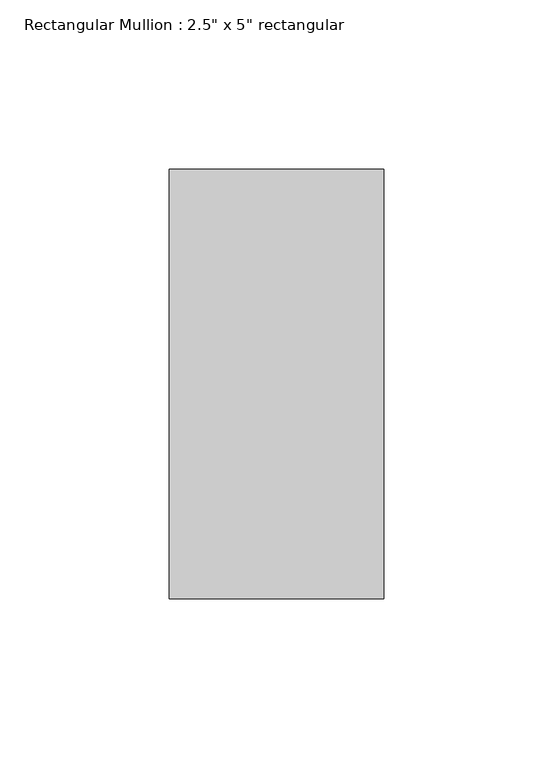
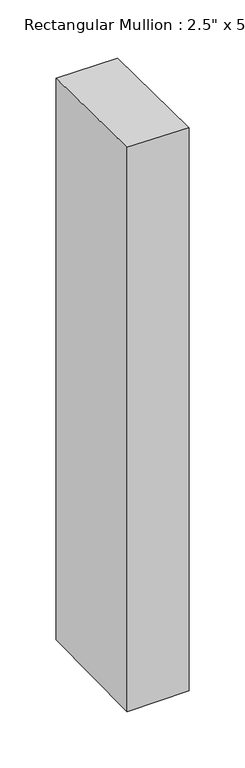
"""IFC4 building model written with IfcOpenShell, lengths in millimetres: member geometry."""

from ifc_helpers import new_model, si_unit, origin, place, context, project, spatial, faceted_brep, source, transform, mapped, element, save


def member_dd2f47a8(model_context):
    return source(origin(), model_context, "Body", "Brep", [
        faceted_brep([(-63.5, 63.5, -0.1869163), (0.0, 63.5, -0.753892), (0.0, 63.5, -609.9099083), (-63.5, 63.5, -610.5749579), (-63.5, -63.5, 1.3208678), (-63.5, -63.5, -612.086161), (0.0, -63.5, 0.753892), (0.0, -63.5, -611.4211113)], [[[0, 1, 2, 3]], [[4, 0, 3, 5]], [[6, 4, 5, 7]], [[1, 6, 7, 2]], [[1, 0, 4, 6]], [[2, 7, 5, 3]]]),
    ])


if __name__ == "__main__":
    model = new_model("IFC4")
    model_context = context("Model", 3, world=origin())
    ifc_project = project(units=[si_unit("LENGTHUNIT", "METRE", prefix="MILLI")], contexts=[model_context])
    site = spatial("IfcSite", under=ifc_project)
    building = spatial("IfcBuilding", under=site)
    placement = place(None, origin())
    member_shape = member_dd2f47a8(model_context)
    element("IfcMember", 1, ObjectType="Rectangular Mullion : 2.5\" x 5\" rectangular", at=placement, inside=building, context=model_context, shape_type="MappedRepresentation", body=[
        mapped(member_shape, transform((0.0, 0.0, 0.0), x_axis=(1.0, 0.0, 0.0), y_axis=(0.0, 1.0, 0.0), z_axis=(0.0, 0.0, 1.0))),
    ])
    save(model, "model.ifc")
